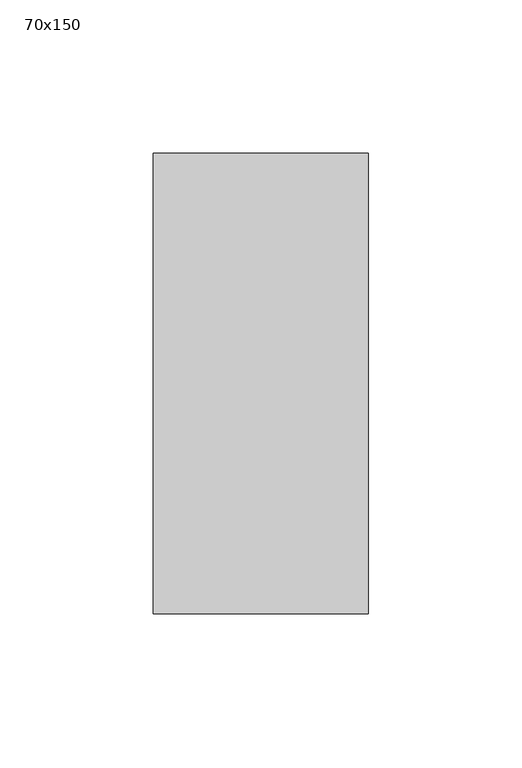
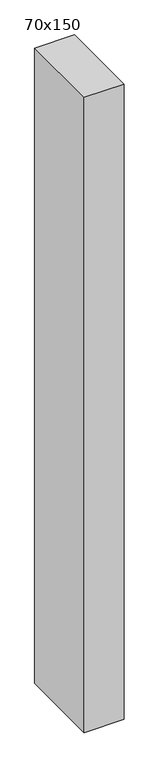
"""IFC4 building model written with IfcOpenShell, lengths in millimetres: member geometry, 70x150."""

from ifc_helpers import new_model, si_unit, frame, origin, place, context, project, spatial, polyline, outline, extrude, source, transform, mapped, element, save


def member_70x150_7321a808(model_context):
    return source(origin(), model_context, "Body", "SweptSolid", [
        extrude(outline(polyline([(0.0, 75.0), (0.0, -75.0), (-70.0, -75.0), (-70.0, 75.0), (0.0, 75.0)])), frame((0.0, 0.0, -1176.6408833), z_axis=(0.0, 0.0, 1.0), x_axis=(1.0, 0.0, 0.0)), (0.0, 0.0, 1.0), 1176.6408833),
    ])


if __name__ == "__main__":
    model = new_model("IFC4")
    model_context = context("Model", 3, world=origin())
    ifc_project = project(units=[si_unit("LENGTHUNIT", "METRE", prefix="MILLI")], contexts=[model_context])
    site = spatial("IfcSite", under=ifc_project)
    building = spatial("IfcBuilding", under=site)
    placement = place(None, origin())
    member_70x150_shape = member_70x150_7321a808(model_context)
    element("IfcMember", 1, ObjectType="70x150", at=placement, inside=building, context=model_context, shape_type="MappedRepresentation", body=[
        mapped(member_70x150_shape, transform((0.0, 0.0, 0.0), x_axis=(1.0, 0.0, 0.0), y_axis=(0.0, 1.0, 0.0), z_axis=(0.0, 0.0, 1.0))),
    ])
    save(model, "model.ifc")
